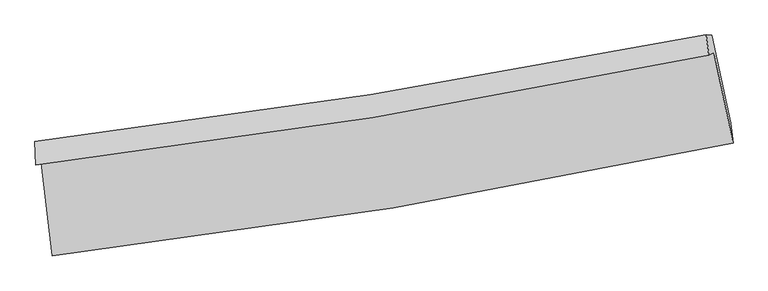
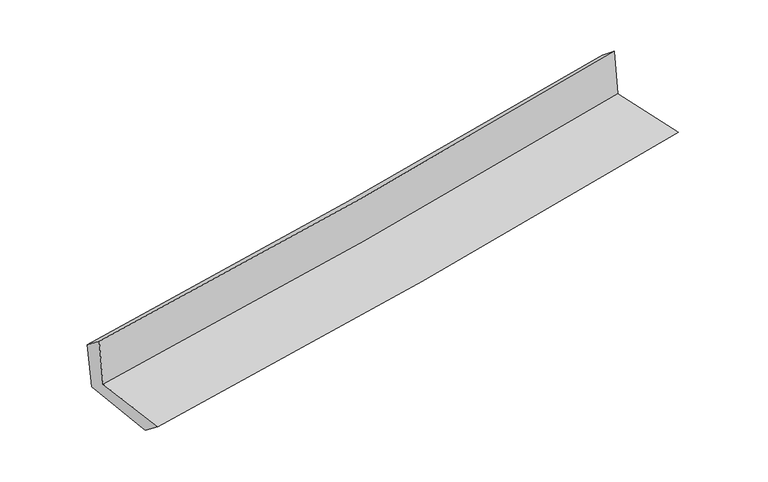
"""IFC4 building model written with IfcOpenShell, lengths in millimetres: proxy geometry."""

import ifcopenshell
import ifcopenshell.guid

model = None  # the IFC model being written
_history = None  # IfcOwnerHistory: only IFC2X3 demands one
_inside = {}  # id of a spatial element -> (the spatial element, [elements in it])
_under = {}  # id of a project, library or spatial element -> (it, [spatial elements below it])
_declared = {}  # id of a project -> (the project, [libraries it declares])
_typed = {}  # id of a type object -> (the type object, [elements of that type])
_made_of = {}  # id of a material, layer set ... -> (it, [elements and type objects made of it])


def new_model(schema):
    """Start an empty IFC model of exactly this schema.

    Asked for "IFC4X3", IfcOpenShell would pick the latest addendum, in which some entities
    have other attributes; the version numbers below select the first issue.
    IFC2X3 requires an IfcOwnerHistory on every rooted entity: one is made here for all.
    """
    global model, _history
    if schema == "IFC4X3":
        model = ifcopenshell.file(schema_version=(4, 3, 0, 0))
    else:
        model = ifcopenshell.file(schema=schema)
    _inside.clear()
    _under.clear()
    _declared.clear()
    _typed.clear()
    _made_of.clear()
    _history = None
    if model.schema == "IFC2X3":
        org = make("IfcOrganization", Name="unknown")
        user = make(
            "IfcPersonAndOrganization",
            ThePerson=make("IfcPerson", FamilyName="unknown"),
            TheOrganization=org,
        )
        app = make(
            "IfcApplication",
            ApplicationDeveloper=org,
            Version="unknown",
            ApplicationFullName="unknown",
            ApplicationIdentifier="unknown",
        )
        _history = make(
            "IfcOwnerHistory",
            OwningUser=user,
            OwningApplication=app,
            ChangeAction="ADDED",
            CreationDate=0,
        )
    return model


def make(cls, **values):
    """One entity of the class cls with the attributes given. An attribute that is None is left unset."""
    return model.create_entity(
        cls, **{name: value for name, value in values.items() if value is not None}
    )


def rooted(cls, **values):
    """An entity with a GlobalId (a new one), such as an element, a storey or a relation."""
    return make(cls, GlobalId=ifcopenshell.guid.new(), OwnerHistory=_history, **values)


def si_unit(unit_type, name, prefix=None):
    """IfcSIUnit, for example si_unit("LENGTHUNIT", "METRE", prefix="MILLI")."""
    return make("IfcSIUnit", UnitType=unit_type, Prefix=prefix, Name=name)


def assignment(units):
    """IfcUnitAssignment: the units of a project."""
    return None if units is None else make("IfcUnitAssignment", Units=units)


def point(xyz):
    """IfcCartesianPoint."""
    return None if xyz is None else make("IfcCartesianPoint", Coordinates=xyz)


def direction(xyz):
    """IfcDirection."""
    return None if xyz is None else make("IfcDirection", DirectionRatios=xyz)


def frame(location, z_axis=None, x_axis=None):
    """IfcAxis2Placement3D, a coordinate frame: its origin and axes. An axis left out is left unset."""
    return make(
        "IfcAxis2Placement3D",
        Location=point(location),
        Axis=direction(z_axis),
        RefDirection=direction(x_axis),
    )


def origin():
    """The frame at (0, 0, 0) with its axes left unset."""
    return frame((0.0, 0.0, 0.0))


def place(relative_to, where):
    """IfcLocalPlacement: puts the frame where relative to a parent placement (None: the world)."""
    return make(
        "IfcLocalPlacement", PlacementRelTo=relative_to, RelativePlacement=where
    )


def context(
    kind, dimensions, precision=None, world=None, true_north=None, identifier=None
):
    """IfcGeometricRepresentationContext, for example the 3D "Model" context."""
    return make(
        "IfcGeometricRepresentationContext",
        ContextIdentifier=identifier,
        ContextType=kind,
        CoordinateSpaceDimension=dimensions,
        Precision=precision,
        WorldCoordinateSystem=world,
        TrueNorth=true_north,
    )


def project(units=None, contexts=None):
    """IfcProject with its units and contexts."""
    return rooted(
        "IfcProject",
        Name="project",
        RepresentationContexts=contexts,
        UnitsInContext=assignment(units),
    )


def spatial(cls, under=None, at=None, **own):
    """A site, building, storey or space (cls), placed at a placement, below another one or the project."""
    s = rooted(cls, ObjectPlacement=at, **own)
    if under is not None:
        _under.setdefault(under.id(), (under, []))[1].append(s)
    return s


def shape(context_of_items, identifier, shape_type, items):
    """IfcShapeRepresentation: the items that make up one representation, for example the "Body"."""
    return make(
        "IfcShapeRepresentation",
        ContextOfItems=context_of_items,
        RepresentationIdentifier=identifier,
        RepresentationType=shape_type,
        Items=items,
    )


def source(mapping_origin, context_of_items, identifier, shape_type, items):
    """IfcRepresentationMap: a shape defined once, which mapped items show again and again."""
    return make(
        "IfcRepresentationMap",
        MappingOrigin=mapping_origin,
        MappedRepresentation=shape(context_of_items, identifier, shape_type, items),
    )


def transform(
    local_origin,
    x_axis=None,
    y_axis=None,
    z_axis=None,
    scale=None,
    scale2=None,
    scale3=None,
    uniform=True,
):
    """IfcCartesianTransformationOperator3D, or its non-uniform kind. x_axis, y_axis, z_axis: its Axis1, 2, 3."""
    if uniform:
        return make(
            "IfcCartesianTransformationOperator3D",
            Axis1=direction(x_axis),
            Axis2=direction(y_axis),
            LocalOrigin=point(local_origin),
            Scale=scale,
            Axis3=direction(z_axis),
        )
    return make(
        "IfcCartesianTransformationOperator3DnonUniform",
        Axis1=direction(x_axis),
        Axis2=direction(y_axis),
        LocalOrigin=point(local_origin),
        Scale=scale,
        Axis3=direction(z_axis),
        Scale2=scale2,
        Scale3=scale3,
    )


def mapped(mapping_source, mapping_target):
    """IfcMappedItem: shows the shape of a source again, moved by a transform."""
    return make(
        "IfcMappedItem", MappingSource=mapping_source, MappingTarget=mapping_target
    )


def made_of(thing, what):
    """Note that an element or type object is made of a material, layer set ...; save() writes the relation."""
    if what is not None:
        _made_of.setdefault(what.id(), (what, []))[1].append(thing)
    return thing


def element(
    cls,
    number,
    at=None,
    inside=None,
    cuts=None,
    type_object=None,
    material=None,
    context=None,
    identifier="Body",
    shape_type=None,
    held_by="IfcProductDefinitionShape",
    body=None,
    shapes=None,
    **own,
):
    """One element of the class cls, such as IfcWall. Its Tag is "e" and its number.

    at: its placement. inside: the storey or other place that contains it. cuts: it is an
    opening in that element (IfcRelVoidsElement). A single representation is given by context,
    identifier, shape_type and body (its items); several are given by shapes. held_by: the class
    of the entity that holds the representations. save() writes the other relations.
    """
    e = rooted(cls, Tag="e%d" % number, ObjectPlacement=at, **own)
    if body is not None:
        shapes = [shape(context, identifier, shape_type, body)]
    if shapes is not None:
        e.Representation = make(held_by, Representations=shapes)
    if inside is not None:
        _inside.setdefault(inside.id(), (inside, []))[1].append(e)
    if cuts is not None:
        rooted(
            "IfcRelVoidsElement", RelatingBuildingElement=cuts, RelatedOpeningElement=e
        )
    if type_object is not None:
        _typed.setdefault(type_object.id(), (type_object, []))[1].append(e)
    return made_of(e, material)


def aggregate(whole, parts):
    """IfcRelAggregates: a whole, such as a stair, and the parts it consists of."""
    return rooted("IfcRelAggregates", RelatingObject=whole, RelatedObjects=parts)


def save(model, path):
    """Write the relations noted so far, then the file.

    IfcRelAggregates (storeys below a building ...), IfcRelContainedInSpatialStructure (elements
    in a storey), IfcRelDefinesByType, IfcRelAssociatesMaterial and IfcRelDeclares: one each for
    every whole, place, type object, material and project.
    """
    for whole, parts in _under.values():
        aggregate(whole, parts)
    for where, things in _inside.values():
        rooted(
            "IfcRelContainedInSpatialStructure",
            RelatedElements=things,
            RelatingStructure=where,
        )
    for kind, things in _typed.values():
        rooted("IfcRelDefinesByType", RelatedObjects=things, RelatingType=kind)
    for what, things in _made_of.values():
        rooted("IfcRelAssociatesMaterial", RelatedObjects=things, RelatingMaterial=what)
    for by, libraries in _declared.values():
        rooted("IfcRelDeclares", RelatingContext=by, RelatedDefinitions=libraries)
    model.write(path)


def plane_surface(at):
    """IfcPlane: the flat surface through the origin of the frame at, square to its z axis."""
    return make("IfcPlane", Position=at)


def spline_curve(degree, points, multiplicities, knots, weights=None):
    """IfcBSplineCurveWithKnots; with weights, IfcRationalBSplineCurveWithKnots."""
    own = dict(
        Degree=degree,
        ControlPointsList=[point(p) for p in points],
        CurveForm="UNSPECIFIED",
        ClosedCurve=False,
        SelfIntersect=False,
        KnotMultiplicities=multiplicities,
        Knots=knots,
        KnotSpec="UNSPECIFIED",
    )
    if weights is None:
        return make("IfcBSplineCurveWithKnots", **own)
    return make("IfcRationalBSplineCurveWithKnots", WeightsData=weights, **own)


def spline_surface(u_degree, v_degree, points, u_multiplicities, v_multiplicities, u_knots, v_knots, weights=None):
    """IfcBSplineSurfaceWithKnots; with weights, IfcRationalBSplineSurfaceWithKnots. points: one row for each step in u."""
    own = dict(
        UDegree=u_degree,
        VDegree=v_degree,
        ControlPointsList=[[point(p) for p in row] for row in points],
        SurfaceForm="UNSPECIFIED",
        UClosed=False,
        VClosed=False,
        SelfIntersect=False,
        UMultiplicities=u_multiplicities,
        VMultiplicities=v_multiplicities,
        UKnots=u_knots,
        VKnots=v_knots,
        KnotSpec="UNSPECIFIED",
    )
    if weights is None:
        return make("IfcBSplineSurfaceWithKnots", **own)
    return make("IfcRationalBSplineSurfaceWithKnots", WeightsData=weights, **own)


def advanced_brep(points, edges, surfaces, faces):
    """IfcAdvancedBrep: a solid bounded by faces that lie on surfaces and meet in shared edges.

    An edge is (start, end): straight between two places in points (the first is 0);
    or (start, end, curve); or (start, end, curve, False) where it runs against its curve.
    A face is (place in surfaces, loops), or (place, loops, False) where it looks against
    its surface's normal. A loop lists edges by number (the first is 1), with a minus sign
    where the edge is run from its end to its start. The first loop is the outer one.
    """
    corners = [point(p) for p in points]
    vertices = [make("IfcVertexPoint", VertexGeometry=c) for c in corners]
    made = []
    for start, end, *more in edges:
        made.append(
            make(
                "IfcEdgeCurve",
                EdgeStart=vertices[start],
                EdgeEnd=vertices[end],
                EdgeGeometry=more[0] if more else make("IfcPolyline", Points=[corners[start], corners[end]]),
                SameSense=more[1] if len(more) > 1 else True,
            )
        )
    hull = []
    for where, loops, *sense in faces:
        bounds = []
        for j, loop in enumerate(loops):
            ring = [make("IfcOrientedEdge", EdgeElement=made[abs(k) - 1], Orientation=k > 0) for k in loop]
            bounds.append(
                make(
                    "IfcFaceOuterBound" if j == 0 else "IfcFaceBound",
                    Bound=make("IfcEdgeLoop", EdgeList=ring),
                    Orientation=True,
                )
            )
        hull.append(make("IfcAdvancedFace", Bounds=bounds, FaceSurface=surfaces[where], SameSense=sense[0] if sense else True))
    return make("IfcAdvancedBrep", Outer=make("IfcClosedShell", CfsFaces=hull))


def generic_models_d7792a59(model_context):
    return source(origin(), model_context, "Body", "AdvancedBrep", [
        advanced_brep(
        [(-2440.3314432, -1881.6269296, 1668.7864718), (-2359.9048333, -2547.8824779, 1665.1531581), (2526.3235022, -1738.7759397, 2107.7095103), (2388.8345236, -1086.9315304, 2105.5896887), (-2478.6948709, -1894.0466651, 2075.6824266), (2351.961168, -1104.16844, 2507.7955231), (-2486.0035732, -1728.5244608, 1947.2127293), (2333.1670905, -959.9303214, 2391.8799685), (-2447.6470526, -1729.7250427, 1557.0985591), (2372.6629764, -960.9418939, 2001.9093956), (-2367.1508761, -2376.11287, 1528.3785917), (2508.526073, -1593.1403998, 1978.9691825)],
        [
            (0, 1),
            (1, 2, spline_curve(3, [(-2359.9048333, -2547.8824779, 1665.1531581), (-1541.697262707, -2453.887247018, 1752.812561201), (-726.243116515, -2339.645258692, 1833.460296854), (902.522505007, -2070.111049036, 1981.037250929), (1715.811137256, -1914.650858234, 2047.90829905), (2526.3235022, -1738.7759397, 2107.7095103)], [4, 2, 4], [0.0, 8.095074801544309, 16.223659195644156])),
            (2, 3),
            (3, 0, spline_curve(3, [(2388.8345236, -1086.9315304, 2105.5896887), (1587.440370292, -1258.368642865, 2046.750230692), (783.476288179, -1410.408619326, 1980.840476317), (-826.266845795, -1675.147488468, 1835.181230683), (-1632.024752712, -1788.005978279, 1755.489912677), (-2440.3314432, -1881.6269296, 1668.7864718)], [4, 2, 4], [0.0, 8.128584394099848, 16.223659195644156])),
            (4, 0),
            (3, 5),
            (5, 4, spline_curve(3, [(2351.961168, -1104.16844, 2507.7955231), (1550.444169646, -1272.993713618, 2444.698122176), (746.294106081, -1423.327376969, 2377.056253196), (-863.94623832, -1686.467971623, 2232.981162968), (-1670.01485404, -1799.427050275, 2156.585333145), (-2478.6948709, -1894.0466651, 2075.6824266)], [4, 2, 4], [0.0, 8.08001335387732, 16.12671734634501])),
            (6, 4),
            (5, 7),
            (7, 6, spline_curve(3, [(2333.1670905, -959.9303214, 2391.8799685), (1532.035047106, -1118.982368483, 2328.909959325), (729.038135935, -1262.658502995, 2260.281149907), (-877.367429421, -1518.730038376, 2112.012176825), (-1680.760739287, -1631.251950167, 2032.418573197), (-2486.0035732, -1728.5244608, 1947.2127293)], [4, 2, 4], [0.0, 8.068475792491505, 16.103689786465313])),
            (8, 6),
            (7, 9),
            (9, 8, spline_curve(3, [(2372.6629764, -960.9418939, 2001.9093956), (1572.672918653, -1120.072199501, 1925.580918989), (770.150481079, -1263.80319837, 1850.274655974), (-836.640364579, -1519.937544467, 1702.012787684), (-1640.887936678, -1632.467594946, 1629.048772007), (-2447.6470526, -1729.7250427, 1557.0985591)], [4, 2, 4], [0.0, 8.05782478003232, 16.082431669695094])),
            (10, 8),
            (9, 11),
            (11, 10, spline_curve(3, [(2508.526073, -1593.1403998, 1978.9691825), (1699.706766721, -1756.663483197, 1901.611248413), (888.145833541, -1903.773667683, 1825.307681656), (-737.102373987, -2164.629447542, 1675.119493371), (-1550.767090379, -2278.510086474, 1601.226196481), (-2367.1508761, -2376.11287, 1528.3785917)], [4, 2, 4], [0.0, 8.105882638553288, 16.178349271151333])),
            (1, 10),
            (11, 2),
        ],
        [
            spline_surface(3, 3, [[(-2440.3314432, -1881.6269296, 1668.7864718), (-1632.024752736, -1788.005978297, 1755.48991261), (-826.2668458, -1675.147488414, 1835.181230556), (783.476288184, -1410.40861938, 1980.840476445), (1587.440370225, -1258.368642874, 2046.750230769), (2388.8345236, -1086.9315304, 2105.5896887)], [(-2413.522573234, -2103.712112369, 1667.575367249), (-1601.915589367, -2009.966401239, 1754.597462132), (-792.925602662, -1896.646745132, 1834.607586031), (823.158360425, -1630.309429299, 1980.906067912), (1630.23062589, -1477.129381343, 2047.136253535), (2434.664183143, -1304.213000145, 2106.296295904)], [(-2386.713703266, -2325.797295131, 1666.364262651), (-1571.806425994, -2231.926824175, 1753.705011607), (-759.584359538, -2118.146001862, 1834.033941484), (862.840432651, -1850.21023923, 1980.971659356), (1673.020881525, -1695.890119876, 2047.522276288), (2480.493842657, -1521.494469955, 2107.002903096)], [(-2359.9048333, -2547.8824779, 1665.1531581), (-1541.697262624, -2453.887247118, 1752.812561129), (-726.2431164, -2339.64525858, 1833.460296959), (902.522504892, -2070.111049149, 1981.037250823), (1715.81113719, -1914.650858345, 2047.908299054), (2526.3235022, -1738.7759397, 2107.7095103)]], [4, 4], [4, 2, 4], [0.0, 2.2017601476743955], [0.0, 8.095074801544309, 16.223659195644156]),
            spline_surface(3, 3, [[(-2478.6948709, -1894.0466651, 2075.6824266), (-1670.014854131, -1799.42705015, 2156.585333145), (-863.946238207, -1686.467971744, 2232.98116298), (746.294105968, -1423.327376847, 2377.056253184), (1550.444169704, -1272.993713571, 2444.698122146), (2351.961168, -1104.16844, 2507.7955231)], [(-2465.907061667, -1889.906753265, 1940.050441679), (-1657.351487, -1795.620026197, 2022.886859645), (-851.386440728, -1682.694477321, 2100.381185496), (758.688166717, -1419.021124378, 2244.984327595), (1562.776236535, -1268.118690007, 2312.04882503), (2364.252286524, -1098.422803468, 2373.726911643)], [(-2453.119252433, -1885.766841435, 1804.418456721), (-1644.688119868, -1791.81300225, 1889.188386109), (-838.826643279, -1678.920982837, 1967.78120804), (771.082227435, -1414.714871849, 2112.912402034), (1575.108303394, -1263.243666439, 2179.399527886), (2376.543405076, -1092.677166932, 2239.658300157)], [(-2440.3314432, -1881.6269296, 1668.7864718), (-1632.024752736, -1788.005978297, 1755.48991261), (-826.2668458, -1675.147488414, 1835.181230556), (783.476288184, -1410.40861938, 1980.840476445), (1587.440370225, -1258.368642874, 2046.750230769), (2388.8345236, -1086.9315304, 2105.5896887)]], [4, 4], [4, 2, 4], [0.0, 1.308889078475387], [0.0, 8.046703992467691, 16.12671734634501]),
            spline_surface(3, 3, [[(-2486.0035732, -1728.5244608, 1947.2127293), (-1680.760739223, -1631.25195008, 2032.418573159), (-877.36742932, -1518.730038316, 2112.012176862), (729.038135833, -1262.658503055, 2260.28114987), (1532.035047157, -1118.982368365, 2328.909959245), (2333.1670905, -959.9303214, 2391.8799685)], [(-2483.567339085, -1783.698528918, 1990.035961709), (-1677.178777511, -1687.310316788, 2073.80749313), (-872.893698944, -1574.642682764, 2152.335172244), (734.790125882, -1316.214794291, 2299.206184317), (1538.171421338, -1170.319483449, 2367.506013544), (2339.431782999, -1008.009694282, 2430.518486699)], [(-2481.131105015, -1838.872596982, 2032.859194191), (-1673.596815844, -1743.368683442, 2115.196413174), (-868.419968583, -1630.555327296, 2192.658167598), (740.542115918, -1369.771085611, 2338.131218737), (1544.307795523, -1221.656598487, 2406.102067847), (2345.696475501, -1056.089067118, 2469.157004901)], [(-2478.6948709, -1894.0466651, 2075.6824266), (-1670.014854131, -1799.42705015, 2156.585333145), (-863.946238207, -1686.467971744, 2232.98116298), (746.294105968, -1423.327376847, 2377.056253184), (1550.444169704, -1272.993713571, 2444.698122146), (2351.961168, -1104.16844, 2507.7955231)]], [4, 4], [4, 2, 4], [0.0, 0.6669227852612231], [0.0, 8.035213993973809, 16.103689786465313]),
            spline_surface(3, 3, [[(-2447.6470526, -1729.7250427, 1557.0985591), (-1640.887936725, -1632.467594857, 1629.048772042), (-836.640364647, -1519.937544378, 1702.01278774), (770.150481148, -1263.803198459, 1850.274655917), (1572.672918733, -1120.072199368, 1925.580919061), (2372.6629764, -960.9418939, 2001.9093956)], [(-2460.43255946, -1729.324848725, 1687.136615829), (-1654.178870884, -1632.062379922, 1763.50537241), (-850.216052861, -1519.535042375, 1838.679250774), (756.446366054, -1263.421633341, 1986.943487228), (1559.126961549, -1119.708922366, 2060.02393245), (2359.497681107, -960.604703066, 2131.899586561)], [(-2473.21806634, -1728.924654775, 1817.174672571), (-1667.469805064, -1631.657165015, 1897.961972792), (-863.791741106, -1519.13254032, 1975.345713828), (742.742250927, -1263.040068172, 2123.612318559), (1545.581004342, -1119.345645366, 2194.466945856), (2346.332385793, -960.267512234, 2261.889777539)], [(-2486.0035732, -1728.5244608, 1947.2127293), (-1680.760739223, -1631.25195008, 2032.418573159), (-877.36742932, -1518.730038316, 2112.012176862), (729.038135833, -1262.658503055, 2260.28114987), (1532.035047157, -1118.982368365, 2328.909959245), (2333.1670905, -959.9303214, 2391.8799685)]], [4, 4], [4, 2, 4], [0.0, 1.3518422956210383], [0.0, 8.024606889662774, 16.082431669695094]),
            spline_surface(3, 3, [[(-2367.1508761, -2376.11287, 1528.3785917), (-1550.767090494, -2278.510086469, 1601.226196433), (-737.102373974, -2164.629447596, 1675.119493325), (888.145833529, -1903.773667628, 1825.307681702), (1699.706766675, -1756.663483068, 1901.611248431), (2508.526073, -1593.1403998, 1978.9691825)], [(-2393.982934936, -2160.650260923, 1537.951914182), (-1580.807372573, -2063.162589288, 1610.500388318), (-770.281704213, -1949.732146532, 1684.083924792), (848.814049387, -1690.450177914, 1833.630006436), (1657.362150677, -1544.466388492, 1909.601138663), (2463.238374116, -1382.407564491, 1986.615920221)], [(-2420.814993764, -1945.187651777, 1547.525236618), (-1610.847654646, -1847.815092038, 1619.774580157), (-803.461034408, -1734.834845442, 1693.048356273), (809.482265289, -1477.126688173, 1841.952331183), (1615.017534731, -1332.269293943, 1917.59102883), (2417.950675284, -1171.674729209, 1994.262657879)], [(-2447.6470526, -1729.7250427, 1557.0985591), (-1640.887936725, -1632.467594857, 1629.048772042), (-836.640364647, -1519.937544378, 1702.01278774), (770.150481148, -1263.803198459, 1850.274655917), (1572.672918733, -1120.072199368, 1925.580919061), (2372.6629764, -960.9418939, 2001.9093956)]], [4, 4], [4, 2, 4], [0.0, 2.1390659879841922], [0.0, 8.072466632598045, 16.178349271151333]),
            spline_surface(3, 3, [[(-2359.9048333, -2547.8824779, 1665.1531581), (-1541.697262624, -2453.887247118, 1752.812561129), (-726.2431164, -2339.64525858, 1833.460296959), (902.522504892, -2070.111049149, 1981.037250823), (1715.81113719, -1914.650858345, 2047.908299054), (2526.3235022, -1738.7759397, 2107.7095103)], [(-2362.320180918, -2490.625941901, 1619.561635952), (-1544.720538599, -2395.428193536, 1702.283772883), (-729.862868941, -2281.306654904, 1780.680029085), (897.730281088, -2014.665255294, 1929.127394454), (1710.443013695, -1861.988399934, 1999.142615484), (2520.39102581, -1690.230759748, 2064.796067672)], [(-2364.735528482, -2433.369405999, 1573.970113848), (-1547.743814519, -2336.969140051, 1651.754984679), (-733.482621433, -2222.968051272, 1727.899761198), (892.938057333, -1959.219461483, 1877.217538071), (1705.07489017, -1809.325941479, 1950.376932001), (2514.45854939, -1641.685579752, 2021.882625128)], [(-2367.1508761, -2376.11287, 1528.3785917), (-1550.767090494, -2278.510086469, 1601.226196433), (-737.102373974, -2164.629447596, 1675.119493325), (888.145833529, -1903.773667628, 1825.307681702), (1699.706766675, -1756.663483068, 1901.611248431), (2508.526073, -1593.1403998, 1978.9691825)]], [4, 4], [4, 2, 4], [0.0, 0.76198934651536], [0.0, 8.131259560050033, 16.296178499599392]),
            plane_surface(frame((2413.5792223, -1240.6480875, 2182.3088781), z_axis=(0.9736892590874903, 0.20569242255809286, 0.0980808546039315), x_axis=(-0.10076333718118174, 0.0025807604708494867, 0.9949070758394996))),
            plane_surface(frame((-2429.9554415, -2026.319741, 1740.3853228), z_axis=(-0.9881935497911233, -0.11876129347181065, -0.09679495505511317), x_axis=(-0.11984257516572308, 0.9927781455694823, 0.005413950246165197))),
        ],
        [
            (0, [[1, 2, 3, 4]]),
            (1, [[5, -4, 6, 7]]),
            (2, [[8, -7, 9, 10]]),
            (3, [[11, -10, 12, 13]]),
            (4, [[14, -13, 15, 16]]),
            (5, [[17, -16, 18, -2]]),
            (6, [[-12, -9, -6, -3, -18, -15]]),
            (7, [[-1, -5, -8, -11, -14, -17]]),
        ],
    ),
    ])


if __name__ == "__main__":
    model = new_model("IFC4")
    model_context = context("Model", 3, world=origin())
    ifc_project = project(units=[si_unit("LENGTHUNIT", "METRE", prefix="MILLI")], contexts=[model_context])
    site = spatial("IfcSite", under=ifc_project)
    building = spatial("IfcBuilding", under=site)
    placement = place(None, origin())
    generic_models_shape = generic_models_d7792a59(model_context)
    element("IfcBuildingElementProxy", 1, Name="Generic Models", at=placement, inside=building, context=model_context, shape_type="MappedRepresentation", body=[
        mapped(generic_models_shape, transform((0.0, 0.0, 0.0), x_axis=(1.0, 0.0, 0.0), y_axis=(0.0, 1.0, 0.0), z_axis=(0.0, 0.0, 1.0))),
    ])
    save(model, "model.ifc")
